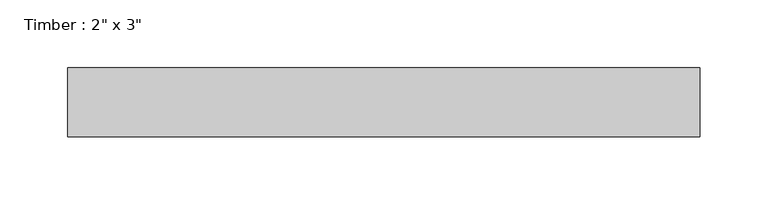
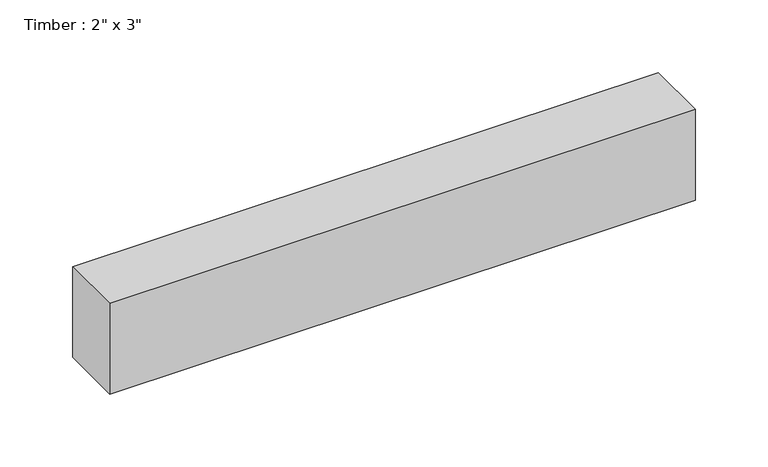
"""IFC4 building model written with IfcOpenShell, lengths in millimetres: beam geometry."""

from ifc_helpers import new_model, si_unit, frame, origin, place, context, project, spatial, polyline, outline, extrude, source, transform, mapped, element, save


def beam_57104bd6(model_context):
    return source(origin(), model_context, "Body", "SweptSolid", [
        extrude(outline(polyline([(232.5575592, 25.4), (232.5575592, -25.4), (-232.5575592, -25.4), (-232.5575592, 25.4), (232.5575592, 25.4)])), frame((0.0, 0.0, -38.1), z_axis=(0.0, 0.0, 1.0), x_axis=(1.0, 0.0, 0.0)), (0.0, 0.0, 1.0), 76.2),
    ])


if __name__ == "__main__":
    model = new_model("IFC4")
    model_context = context("Model", 3, world=origin())
    ifc_project = project(units=[si_unit("LENGTHUNIT", "METRE", prefix="MILLI")], contexts=[model_context])
    site = spatial("IfcSite", under=ifc_project)
    building = spatial("IfcBuilding", under=site)
    placement = place(None, origin())
    beam_shape = beam_57104bd6(model_context)
    element("IfcBeam", 1, ObjectType="Timber : 2\" x 3\"", at=placement, inside=building, context=model_context, shape_type="MappedRepresentation", body=[
        mapped(beam_shape, transform((0.0, 0.0, 0.0), x_axis=(1.0, 0.0, 0.0), y_axis=(0.0, 1.0, 0.0), z_axis=(0.0, 0.0, 1.0))),
    ])
    save(model, "model.ifc")
